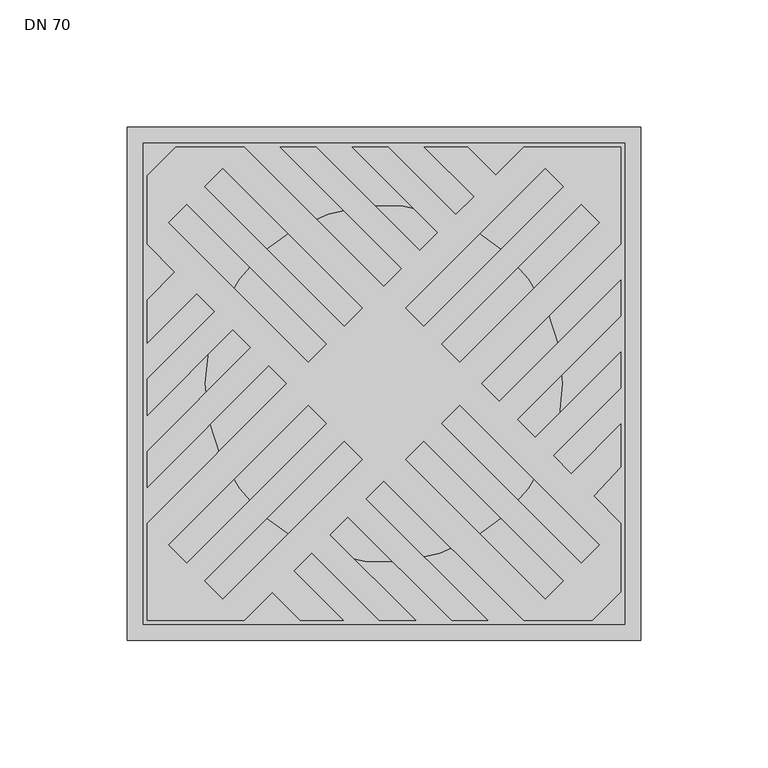
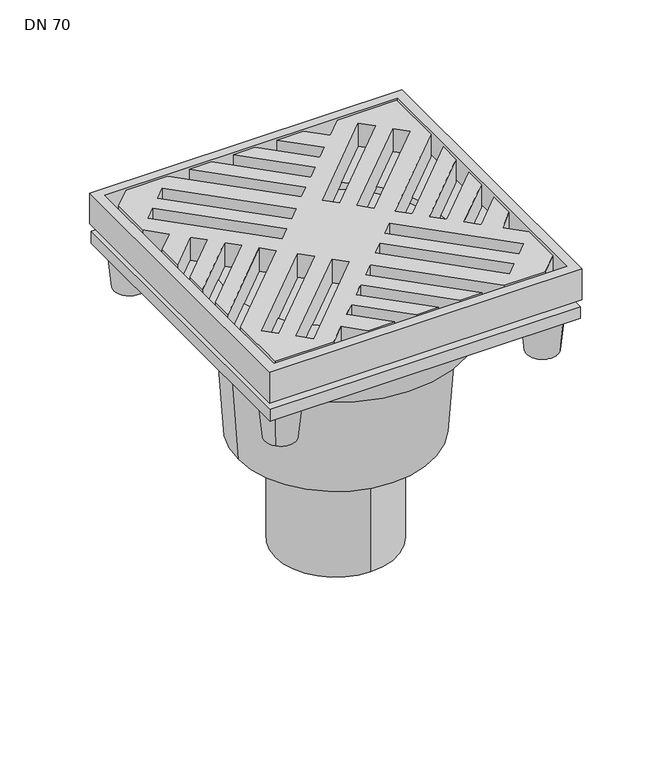
"""IFC4 building model written with IfcOpenShell, lengths in millimetres: sanitary terminal geometry, DN 70."""

from ifc_helpers import new_model, si_unit, frame, origin, place, context, project, spatial, polyline, circle_curve, outline, extrude, faceted_brep, source, transform, mapped, element, save
from ifc_brep_helpers import plane_surface, cylinder_surface, revolved_surface, advanced_brep


def dn_70_16aad3e7(model_context):
    return source(origin(), model_context, "Body", "SolidModel", [
        faceted_brep([(84.95, 84.95, -21.0), (-84.95, 84.95, -21.0), (-84.95, -84.95, -21.0), (84.95, -84.95, -21.0), (78.7, 78.7, -29.0), (78.7, -78.7, -29.0), (-78.7, -78.7, -29.0), (-78.7, 78.7, -29.0)], [[[0, 1, 2, 3]], [[4, 5, 6, 7]], [[4, 7, 1, 0]], [[7, 6, 2, 1]], [[6, 5, 3, 2]], [[5, 4, 0, 3]]]),
        advanced_brep(
        [(-75.1, 0.0, -49.0), (75.1, 0.0, -49.0), (-75.1, 0.0, -29.0), (75.1, 0.0, -29.0)],
        [
            (0, 1, circle_curve(frame((0.0, 0.0, -49.0), z_axis=(0.0, 0.0, -1.0), x_axis=(1.0, 0.0, 0.0)), 75.1)),
            (1, 0, circle_curve(frame((0.0, 0.0, -49.0), z_axis=(0.0, 0.0, -1.0), x_axis=(1.0, 0.0, 0.0)), 75.1)),
            (2, 3, circle_curve(frame((0.0, 0.0, -29.0), z_axis=(0.0, 0.0, 1.0), x_axis=(1.0, 0.0, 0.0)), 75.1)),
            (3, 2, circle_curve(frame((0.0, 0.0, -29.0), z_axis=(0.0, 0.0, 1.0), x_axis=(1.0, 0.0, 0.0)), 75.1)),
            (1, 3),
            (2, 0),
        ],
        [
            plane_surface(frame((75.1, 0.0, -49.0), z_axis=(0.0, 0.0, -1.0), x_axis=(0.0, -1.0, 0.0))),
            plane_surface(frame((75.1, 0.0, -29.0), z_axis=(0.0, 0.0, 1.0), x_axis=(0.0, 1.0, 0.0))),
            cylinder_surface(frame((0.0, 0.0, -49.0), z_axis=(0.0, 0.0, 1.0), x_axis=(1.0, 0.0, 0.0)), 75.1),
        ],
        [
            (0, [[1, 2]]),
            (1, [[3, 4]]),
            (2, [[-2, 5, -3, 6]]),
            (2, [[-1, -6, -4, -5]]),
        ],
    ),
        advanced_brep(
        [(100.75, 100.75, -21.0), (100.75, -100.75, -21.0), (-100.75, -100.75, -21.0), (-100.75, 100.75, -21.0), (-70.1, 0.0, -21.0), (70.1, 0.0, -21.0), (94.5, -94.5, -16.0), (94.5, 94.5, -16.0), (-94.5, 94.5, -16.0), (-94.5, -94.5, -16.0), (-70.1, 0.0, -16.0), (70.1, 0.0, -16.0), (100.75, 100.75, 0.0), (-100.75, 100.75, 0.0), (-100.75, -100.75, 0.0), (100.75, -100.75, 0.0), (94.5, 94.5, 0.0), (94.5, -94.5, 0.0), (-94.5, -94.5, 0.0), (-94.5, 94.5, 0.0)],
        [
            (0, 1),
            (1, 2),
            (2, 3),
            (3, 0),
            (4, 5, circle_curve(frame((0.0, 0.0, -21.0), z_axis=(0.0, 0.0, 1.0), x_axis=(1.0, 0.0, 0.0)), 70.1)),
            (5, 4, circle_curve(frame((0.0, 0.0, -21.0), z_axis=(0.0, 0.0, 1.0), x_axis=(1.0, 0.0, 0.0)), 70.1)),
            (6, 7),
            (7, 8),
            (8, 9),
            (9, 6),
            (10, 11, circle_curve(frame((0.0, 0.0, -16.0), z_axis=(0.0, 0.0, -1.0), x_axis=(1.0, 0.0, 0.0)), 70.1)),
            (11, 10, circle_curve(frame((0.0, 0.0, -16.0), z_axis=(0.0, 0.0, -1.0), x_axis=(1.0, 0.0, 0.0)), 70.1)),
            (5, 11),
            (10, 4),
            (12, 13),
            (13, 14),
            (14, 15),
            (15, 12),
            (16, 17),
            (17, 18),
            (18, 19),
            (19, 16),
            (3, 13),
            (12, 0),
            (2, 14),
            (1, 15),
            (16, 7),
            (6, 17),
            (9, 18),
            (8, 19),
        ],
        [
            plane_surface(frame((-94.5, 94.5, -21.0), z_axis=(0.0, 0.0, -1.0), x_axis=(1.0, 0.0, 0.0))),
            plane_surface(frame((-94.5, 94.5, -16.0), z_axis=(0.0, 0.0, 1.0), x_axis=(-1.0, 0.0, 0.0))),
            revolved_surface(polyline([(70.1, 0.0, -21.0), (70.1, 0.0, -16.0)]), (0.0, 0.0, -29.0), (0.0, 0.0, -1.0)),
            plane_surface(frame((-100.75, 100.75, 0.0), z_axis=(0.0, 0.0, 1.0), x_axis=(-1.0, 0.0, 0.0))),
            plane_surface(frame((100.75, 100.75, 0.0), z_axis=(0.0, 1.0, 0.0), x_axis=(0.0, 0.0, -1.0))),
            plane_surface(frame((-100.75, 100.75, 0.0), z_axis=(-1.0, 0.0, 0.0), x_axis=(0.0, 0.0, -1.0))),
            plane_surface(frame((-100.75, -100.75, 0.0), z_axis=(0.0, -1.0, 0.0), x_axis=(0.0, 0.0, -1.0))),
            plane_surface(frame((100.75, -100.75, 0.0), z_axis=(1.0, 0.0, 0.0), x_axis=(0.0, 0.0, -1.0))),
            plane_surface(frame((94.5, 94.5, 0.0), z_axis=(-1.0, 0.0, 0.0), x_axis=(0.0, 0.0, -1.0))),
            plane_surface(frame((94.5, -94.5, 0.0), z_axis=(0.0, 1.0, 0.0), x_axis=(0.0, 0.0, -1.0))),
            plane_surface(frame((-94.5, -94.5, 0.0), z_axis=(1.0, 0.0, 0.0), x_axis=(0.0, 0.0, -1.0))),
            plane_surface(frame((-94.5, 94.5, 0.0), z_axis=(0.0, -1.0, 0.0), x_axis=(0.0, 0.0, -1.0))),
        ],
        [
            (0, [[1, 2, 3, 4], [5, 6]]),
            (1, [[7, 8, 9, 10], [11, 12]]),
            (2, [[-6, 13, -11, 14]]),
            (2, [[-5, -14, -12, -13]]),
            (3, [[15, 16, 17, 18], [19, 20, 21, 22]]),
            (4, [[-4, 23, -15, 24]]),
            (5, [[-3, 25, -16, -23]]),
            (6, [[-2, 26, -17, -25]]),
            (7, [[-1, -24, -18, -26]]),
            (8, [[-19, 27, -7, 28]]),
            (9, [[-20, -28, -10, 29]]),
            (10, [[-21, -29, -9, 30]]),
            (11, [[-22, -30, -8, -27]]),
        ],
    ),
        extrude(outline(polyline([(-93.0166638, -40.6740982), (-93.0166638, -26.5319626), (-52.3425656, 14.1421356), (-59.4136335, 21.2132034), (-93.0166638, -12.3898269), (-93.0166638, 1.7523087), (-66.4847013, 28.2842712), (-73.5557691, 35.3553391), (-93.0166638, 15.8944443), (-93.0166638, 32.8650071), (-82.0410505, 43.8406204), (-93.0166638, 54.8162338), (-93.0166638, 81.7029553), (-81.7029553, 93.0166638), (-54.8328977, 93.0166638), (0.0, 38.1837662), (7.0710678, 45.254834), (-40.690762, 93.0166638), (-26.5486264, 93.0166638), (14.1421356, 52.3259018), (21.2132034, 59.3969696), (-12.3898269, 93.0), (1.7523087, 93.0), (28.2842712, 66.4680374), (35.3553391, 73.5391052), (15.8944443, 93.0), (32.8650071, 93.0), (43.8406204, 82.0243866), (54.8162338, 93.0), (93.0, 93.0), (93.0, 54.8162338), (38.1837662, 0.0), (45.254834, -7.0710678), (93.0, 40.6740982), (93.0, 26.5319626), (52.3259018, -14.1421356), (59.3969696, -21.2132034), (93.0, 12.3898269), (93.0, -1.7523087), (66.4680374, -28.2842712), (73.5391052, -35.3553391), (93.0, -15.8944443), (93.0, -32.6426597), (82.3093846, -44.1256185), (93.0, -54.8353654), (93.0, -81.7029553), (81.6862915, -93.0166638), (54.8162338, -93.0166638), (0.0, -38.20043), (-7.0710678, -45.2714978), (40.6740982, -93.0166638), (26.5319626, -93.0166638), (-14.1587995, -52.3259018), (-21.2298673, -59.3969696), (12.3898269, -93.0166638), (-1.7523087, -93.0166638), (-28.3009351, -66.4680374), (-35.3720029, -73.5391052), (-15.8944443, -93.0166638), (-32.8816709, -93.0166638), (-43.8572843, -82.0410505), (-54.8328977, -93.0166638), (-93.0166638, -93.0166638), (-93.0166638, -54.8162338), (-38.20043, 0.0), (-45.2714978, 7.0710678), (-93.0166638, -40.6740982)]), holes=[polyline([(22.627417, 15.5563492), (29.6984848, 8.4852814), (84.4992604, 63.2860569), (77.4281925, 70.3571247), (22.627417, 15.5563492)]), polyline([(63.2860569, 84.4992604), (8.4852814, 29.6984848), (15.5563492, 22.627417), (70.3571247, 77.4281925), (63.2860569, 84.4992604)]), polyline([(-22.6440808, -15.5538815), (-29.7151487, -8.4852814), (-84.5159242, -63.3051885), (-77.4448564, -70.3737886), (-22.6440808, -15.5538815)]), polyline([(-63.3027208, -84.5159242), (-8.5019452, -29.7151487), (-15.573013, -22.6440808), (-70.3737886, -77.4448564), (-63.3027208, -84.5159242)]), polyline([(-84.5159242, 63.2860569), (-29.7151487, 8.4852814), (-22.6440808, 15.5563492), (-77.4448564, 70.3571247), (-84.5159242, 63.2860569)]), polyline([(-15.573013, 22.627417), (-8.5019452, 29.6984848), (-63.3027208, 84.4992604), (-70.3737886, 77.4281925), (-15.573013, 22.627417)]), polyline([(84.4992604, -63.3051885), (29.6984848, -8.4852814), (22.627417, -15.5538815), (77.4281925, -70.3737886), (84.4992604, -63.3051885)]), polyline([(15.5563492, -22.6440808), (8.4852814, -29.7151487), (63.2860569, -84.5159242), (70.3571247, -77.4448564), (15.5563492, -22.6440808)])]), frame((0.0, 0.0, -16.0), z_axis=(0.0, 0.0, 1.0), x_axis=(1.0, 0.0, 0.0)), (0.0, 0.0, 1.0), 16.0),
        advanced_brep(
        [(91.5703282, -91.5703282, -59.0), (77.4281925, -77.4281925, -59.0), (93.3380951, -93.3380951, -34.0), (75.6604256, -75.6604256, -34.0)],
        [
            (0, 1, circle_curve(frame((84.4992604, -84.4992604, -59.0), z_axis=(0.0, 0.0, -1.0), x_axis=(0.7071067811865511, -0.7071067811865446, 0.0)), 10.0)),
            (1, 0, circle_curve(frame((84.4992604, -84.4992604, -59.0), z_axis=(0.0, 0.0, -1.0), x_axis=(-0.707106781186546, 0.7071067811865497, 0.0)), 10.0)),
            (2, 3, circle_curve(frame((84.4992604, -84.4992604, -34.0), z_axis=(0.0, 0.0, 1.0), x_axis=(-0.707106781186546, 0.7071067811865497, 0.0)), 12.5)),
            (3, 2, circle_curve(frame((84.4992604, -84.4992604, -34.0), z_axis=(0.0, 0.0, 1.0), x_axis=(0.7071067811865511, -0.7071067811865446, 0.0)), 12.5)),
            (3, 1),
            (0, 2),
        ],
        [
            plane_surface(frame((84.4992604, -84.4992604, -59.0), z_axis=(0.0, 0.0, -1.0), x_axis=(-0.7071067811865452, -0.7071067811865499, 0.0))),
            plane_surface(frame((84.4992604, -84.4992604, -34.0), z_axis=(0.0, 0.0, 1.0), x_axis=(-0.7071067811865452, -0.7071067811865499, 0.0))),
            revolved_surface(polyline([(91.57032816, -91.57032816, -59.0), (93.3380951, -93.3380951, -34.0)]), (84.4992604, -84.4992604, -159.0), (0.0, 0.0, 1.0000000000000002)),
            revolved_surface(polyline([(77.42819256, -77.42819256, -59.0), (75.6604256, -75.6604256, -34.0)]), (84.4992604, -84.4992604, -159.0), (0.0, 0.0, 1.0000000000000002)),
        ],
        [
            (0, [[1, 2]]),
            (1, [[3, 4]]),
            (2, [[-4, 5, -1, 6]]),
            (3, [[-3, -6, -2, -5]]),
        ],
    ),
        advanced_brep(
        [(-91.5703282, -91.5703282, -59.0), (-77.4281925, -77.4281925, -59.0), (-93.3380951, -93.3380951, -34.0), (-75.6604256, -75.6604256, -34.0)],
        [
            (0, 1, circle_curve(frame((-84.4992604, -84.4992604, -59.0), z_axis=(0.0, 0.0, -1.0), x_axis=(-0.7071067811865481, -0.7071067811865476, 0.0)), 10.0)),
            (1, 0, circle_curve(frame((-84.4992604, -84.4992604, -59.0), z_axis=(0.0, 0.0, -1.0), x_axis=(0.7071067811865448, 0.7071067811865509, 0.0)), 10.0)),
            (2, 3, circle_curve(frame((-84.4992604, -84.4992604, -34.0), z_axis=(0.0, 0.0, 1.0), x_axis=(0.7071067811865448, 0.7071067811865509, 0.0)), 12.5)),
            (3, 2, circle_curve(frame((-84.4992604, -84.4992604, -34.0), z_axis=(0.0, 0.0, 1.0), x_axis=(-0.7071067811865481, -0.7071067811865476, 0.0)), 12.5)),
            (3, 1),
            (0, 2),
        ],
        [
            plane_surface(frame((-84.4992604, -84.4992604, -59.0), z_axis=(0.0, 0.0, -1.0000000000000002), x_axis=(-0.707106781186551, 0.7071067811865441, 0.0))),
            plane_surface(frame((-84.4992604, -84.4992604, -34.0), z_axis=(0.0, 0.0, 1.0000000000000002), x_axis=(-0.707106781186551, 0.7071067811865441, 0.0))),
            revolved_surface(polyline([(-91.57032816, -91.57032816, -59.0), (-93.3380951, -93.3380951, -34.0)]), (-84.4992604, -84.4992604, -159.0), (0.0, 0.0, 1.0000000000000002)),
            revolved_surface(polyline([(-77.42819256, -77.42819256, -59.0), (-75.6604256, -75.6604256, -34.0)]), (-84.4992604, -84.4992604, -159.0), (0.0, 0.0, 1.0000000000000002)),
        ],
        [
            (0, [[1, 2]]),
            (1, [[3, 4]]),
            (2, [[-4, 5, -1, 6]]),
            (3, [[-3, -6, -2, -5]]),
        ],
    ),
        advanced_brep(
        [(-91.5703282, 91.5703282, -59.0), (-77.4281925, 77.4281925, -59.0), (-93.3380951, 93.3380951, -34.0), (-75.6604256, 75.6604256, -34.0)],
        [
            (0, 1, circle_curve(frame((-84.4992604, 84.4992604, -59.0), z_axis=(0.0, 0.0, -1.0), x_axis=(-0.7071067811865477, 0.707106781186548, 0.0)), 10.0)),
            (1, 0, circle_curve(frame((-84.4992604, 84.4992604, -59.0), z_axis=(0.0, 0.0, -1.0), x_axis=(0.707106781186546, -0.7071067811865498, 0.0)), 10.0)),
            (2, 3, circle_curve(frame((-84.4992604, 84.4992604, -34.0), z_axis=(0.0, 0.0, 1.0), x_axis=(0.707106781186546, -0.7071067811865498, 0.0)), 12.5)),
            (3, 2, circle_curve(frame((-84.4992604, 84.4992604, -34.0), z_axis=(0.0, 0.0, 1.0), x_axis=(-0.7071067811865477, 0.707106781186548, 0.0)), 12.5)),
            (3, 1),
            (0, 2),
        ],
        [
            plane_surface(frame((-84.4992604, 84.4992604, -59.0), z_axis=(0.0, 0.0, -1.0), x_axis=(0.7071067811865471, 0.7071067811865479, 0.0))),
            plane_surface(frame((-84.4992604, 84.4992604, -34.0), z_axis=(0.0, 0.0, 1.0), x_axis=(0.7071067811865471, 0.7071067811865479, 0.0))),
            revolved_surface(polyline([(-91.57032816, 91.57032816, -59.0), (-93.3380951, 93.3380951, -34.0)]), (-84.4992604, 84.4992604, -159.0), (0.0, 0.0, 1.0000000000000002)),
            revolved_surface(polyline([(-77.42819256, 77.42819256, -59.0), (-75.6604256, 75.6604256, -34.0)]), (-84.4992604, 84.4992604, -159.0), (0.0, 0.0, 1.0000000000000002)),
        ],
        [
            (0, [[1, 2]]),
            (1, [[3, 4]]),
            (2, [[-4, 5, -1, 6]]),
            (3, [[-3, -6, -2, -5]]),
        ],
    ),
        advanced_brep(
        [(91.5703282, 91.5703282, -59.0), (77.4281925, 77.4281925, -59.0), (93.3380951, 93.3380951, -34.0), (75.6604256, 75.6604256, -34.0)],
        [
            (0, 1, circle_curve(frame((84.4992604, 84.4992604, -59.0), z_axis=(0.0, 0.0, -1.0), x_axis=(0.7071067811865447, 0.707106781186551, 0.0)), 10.0)),
            (1, 0, circle_curve(frame((84.4992604, 84.4992604, -59.0), z_axis=(0.0, 0.0, -1.0), x_axis=(-0.7071067811865481, -0.7071067811865476, 0.0)), 10.0)),
            (2, 3, circle_curve(frame((84.4992604, 84.4992604, -34.0), z_axis=(0.0, 0.0, 1.0), x_axis=(-0.7071067811865481, -0.7071067811865476, 0.0)), 12.5)),
            (3, 2, circle_curve(frame((84.4992604, 84.4992604, -34.0), z_axis=(0.0, 0.0, 1.0), x_axis=(0.7071067811865447, 0.707106781186551, 0.0)), 12.5)),
            (3, 1),
            (0, 2),
        ],
        [
            plane_surface(frame((84.4992604, 84.4992604, -59.0), z_axis=(0.0, 0.0, -1.0), x_axis=(0.7071067811865491, -0.7071067811865459, 0.0))),
            plane_surface(frame((84.4992604, 84.4992604, -34.0), z_axis=(0.0, 0.0, 1.0), x_axis=(0.7071067811865491, -0.7071067811865459, 0.0))),
            revolved_surface(polyline([(91.57032816, 91.57032816, -59.0), (93.3380951, 93.3380951, -34.0)]), (84.4992604, 84.4992604, -159.0), (0.0, 0.0, 1.0000000000000002)),
            revolved_surface(polyline([(77.42819256, 77.42819256, -59.0), (75.6604256, 75.6604256, -34.0)]), (84.4992604, 84.4992604, -159.0), (0.0, 0.0, 1.0000000000000002)),
        ],
        [
            (0, [[1, 2]]),
            (1, [[3, 4]]),
            (2, [[-4, 5, -1, 6]]),
            (3, [[-3, -6, -2, -5]]),
        ],
    ),
        advanced_brep(
        [(100.0, 100.0, -26.0), (-100.0, 100.0, -26.0), (-100.0, -100.0, -26.0), (100.0, -100.0, -26.0), (100.0, 100.0, -34.0), (100.0, -100.0, -34.0), (-100.0, -100.0, -34.0), (-100.0, 100.0, -34.0), (-82.0, 0.0, -34.0), (82.0, 0.0, -34.0), (-82.0, 0.0, -59.63), (82.0, 0.0, -59.63), (67.2, 0.0, -69.98), (-67.2, 0.0, -69.98), (0.0, 39.0, -208.73), (0.0, -39.0, -208.73), (0.0, -39.0, -133.73), (0.0, 39.0, -133.73), (-62.85, 0.0, -133.73), (62.85, 0.0, -133.73)],
        [
            (0, 1),
            (1, 2),
            (2, 3),
            (3, 0),
            (4, 5),
            (5, 6),
            (6, 7),
            (7, 4),
            (8, 9, circle_curve(frame((0.0, 0.0, -34.0), z_axis=(0.0, 0.0, 1.0), x_axis=(1.0, 0.0, 0.0)), 82.0)),
            (9, 8, circle_curve(frame((0.0, 0.0, -34.0), z_axis=(0.0, 0.0, 1.0), x_axis=(1.0, 0.0, 0.0)), 82.0)),
            (8, 10),
            (10, 11, circle_curve(frame((0.0, 0.0, -59.63), z_axis=(0.0, 0.0, 1.0), x_axis=(1.0, 0.0, 0.0)), 82.0)),
            (11, 9),
            (11, 10, circle_curve(frame((0.0, 0.0, -59.63), z_axis=(0.0, 0.0, 1.0), x_axis=(1.0, 0.0, 0.0)), 82.0)),
            (12, 11),
            (10, 13),
            (13, 12, circle_curve(frame((0.0, 0.0, -69.98), z_axis=(0.0, 0.0, 1.0), x_axis=(-1.0, 0.0, 0.0)), 67.2)),
            (12, 13, circle_curve(frame((0.0, 0.0, -69.98), z_axis=(0.0, 0.0, 1.0), x_axis=(1.0, 0.0, 0.0)), 67.2)),
            (14, 15, circle_curve(frame((0.0, 0.0, -208.73), z_axis=(0.0, 0.0, -1.0), x_axis=(0.0, -1.0, 0.0)), 39.0)),
            (15, 14, circle_curve(frame((0.0, 0.0, -208.73), z_axis=(0.0, 0.0, -1.0), x_axis=(0.0, -1.0, 0.0)), 39.0)),
            (15, 16),
            (16, 17, circle_curve(frame((0.0, 0.0, -133.73), z_axis=(0.0, 0.0, -1.0), x_axis=(0.0, -1.0, 0.0)), 39.0)),
            (17, 14),
            (17, 16, circle_curve(frame((0.0, 0.0, -133.73), z_axis=(0.0, 0.0, -1.0), x_axis=(0.0, -1.0, 0.0)), 39.0)),
            (18, 19, circle_curve(frame((0.0, 0.0, -133.73), z_axis=(0.0, 0.0, -1.0), x_axis=(1.0, 0.0, 0.0)), 62.85)),
            (19, 18, circle_curve(frame((0.0, 0.0, -133.73), z_axis=(0.0, 0.0, -1.0), x_axis=(-1.0, 0.0, 0.0)), 62.85)),
            (19, 12),
            (13, 18),
            (0, 4),
            (7, 1),
            (6, 2),
            (5, 3),
        ],
        [
            plane_surface(frame((-100.0, 100.0, -26.0), z_axis=(0.0, 0.0, 1.0), x_axis=(-1.0, 0.0, 0.0))),
            plane_surface(frame((-100.0, 100.0, -34.0), z_axis=(0.0, 0.0, -1.0), x_axis=(1.0, 0.0, 0.0))),
            cylinder_surface(frame((0.0, 0.0, -59.63), z_axis=(0.0, 0.0, 1.0), x_axis=(1.0, 0.0, 0.0)), 82.0),
            revolved_surface(polyline([(67.20000000139508, 0.0, -69.98), (82.0, 0.0, -59.63)]), (0.0, 0.0, -116.9745946), (0.0, 0.0, 1.0)),
            plane_surface(frame((0.0, -39.0, -208.73), z_axis=(0.0, 0.0, -1.0), x_axis=(-1.0, 0.0, 0.0))),
            cylinder_surface(frame((0.0, 0.0, -208.73), z_axis=(0.0, 0.0, 1.0), x_axis=(0.0, -1.0, 0.0)), 39.0),
            plane_surface(frame((0.0, 0.0, -133.73), z_axis=(0.0, 0.0, -1.0), x_axis=(0.0, -1.0, 0.0))),
            revolved_surface(polyline([(62.84999999996954, 0.0, -133.73000000000002), (67.2, 0.0, -69.98000000000002)]), (0.0, 0.0, -1054.8075862), (0.0, 0.0, 1.0)),
            revolved_surface(polyline([(-62.84999999996954, 0.0, -133.73000000000002), (-67.2, 0.0, -69.98000000000002)]), (0.0, 0.0, -1054.8075862), (0.0, 0.0, 1.0)),
            plane_surface(frame((100.0, 100.0, -26.0), z_axis=(0.0, 1.0, 0.0), x_axis=(0.0, 0.0, -1.0))),
            plane_surface(frame((-100.0, 100.0, -26.0), z_axis=(-1.0, 0.0, 0.0), x_axis=(0.0, 0.0, -1.0))),
            plane_surface(frame((-100.0, -100.0, -26.0), z_axis=(0.0, -1.0, 0.0), x_axis=(0.0, 0.0, -1.0))),
            plane_surface(frame((100.0, -100.0, -26.0), z_axis=(1.0, 0.0, 0.0), x_axis=(0.0, 0.0, -1.0))),
        ],
        [
            (0, [[1, 2, 3, 4]]),
            (1, [[5, 6, 7, 8], [9, 10]]),
            (2, [[11, 12, 13, -9]]),
            (2, [[-11, -10, -13, 14]]),
            (3, [[15, -12, 16, 17]]),
            (3, [[-15, 18, -16, -14]]),
            (4, [[19, 20]]),
            (5, [[-20, 21, 22, 23]]),
            (5, [[-19, -23, 24, -21]]),
            (6, [[25, 26], [-22, -24]]),
            (7, [[-26, 27, -17, 28]]),
            (8, [[-25, -28, -18, -27]]),
            (9, [[-1, 29, -8, 30]]),
            (10, [[-2, -30, -7, 31]]),
            (11, [[-3, -31, -6, 32]]),
            (12, [[-4, -32, -5, -29]]),
        ],
    ),
    ])


if __name__ == "__main__":
    model = new_model("IFC4")
    model_context = context("Model", 3, world=origin())
    ifc_project = project(units=[si_unit("LENGTHUNIT", "METRE", prefix="MILLI")], contexts=[model_context])
    site = spatial("IfcSite", under=ifc_project)
    building = spatial("IfcBuilding", under=site)
    placement = place(None, origin())
    dn_70_shape = dn_70_16aad3e7(model_context)
    element("IfcSanitaryTerminal", 1, ObjectType="DN 70", at=placement, inside=building, context=model_context, shape_type="MappedRepresentation", body=[
        mapped(dn_70_shape, transform((0.0, 0.0, 0.0), x_axis=(1.0, 0.0, 0.0), y_axis=(0.0, 1.0, 0.0), z_axis=(0.0, 0.0, 1.0))),
    ])
    save(model, "model.ifc")
